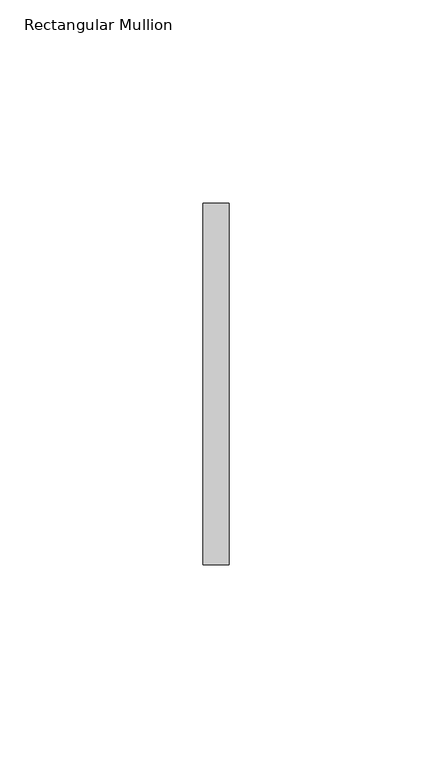
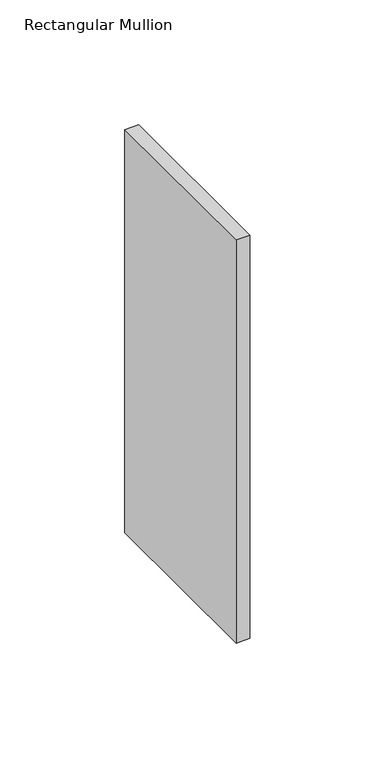
"""IFC4 building model written with IfcOpenShell, lengths in millimetres: member geometry, Rectangular Mullion."""

from ifc_helpers import new_model, si_unit, frame, origin, place, context, project, spatial, polyline, outline, extrude, source, transform, mapped, element, save


def rectangular_mullion_c40d7b4b(model_context):
    return source(origin(), model_context, "Body", "SweptSolid", [
        extrude(outline(polyline([(0.0, 44.45), (0.0, -44.45), (-6.35, -44.45), (-6.35, 44.45), (0.0, 44.45)])), frame((0.0, 0.0, -196.8499763), z_axis=(0.0, 0.0, 1.0), x_axis=(1.0, 0.0, 0.0)), (0.0, 0.0, 1.0), 196.8499763),
    ])


if __name__ == "__main__":
    model = new_model("IFC4")
    model_context = context("Model", 3, world=origin())
    ifc_project = project(units=[si_unit("LENGTHUNIT", "METRE", prefix="MILLI")], contexts=[model_context])
    site = spatial("IfcSite", under=ifc_project)
    building = spatial("IfcBuilding", under=site)
    placement = place(None, origin())
    rectangular_mullion_shape = rectangular_mullion_c40d7b4b(model_context)
    element("IfcMember", 1, ObjectType="Rectangular Mullion", at=placement, inside=building, context=model_context, shape_type="MappedRepresentation", body=[
        mapped(rectangular_mullion_shape, transform((0.0, 0.0, 0.0), x_axis=(1.0, 0.0, 0.0), y_axis=(0.0, 1.0, 0.0), z_axis=(0.0, 0.0, 1.0))),
    ])
    save(model, "model.ifc")
